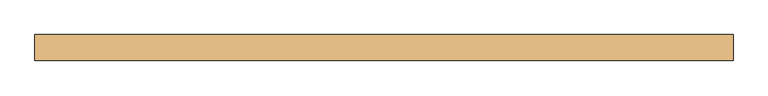
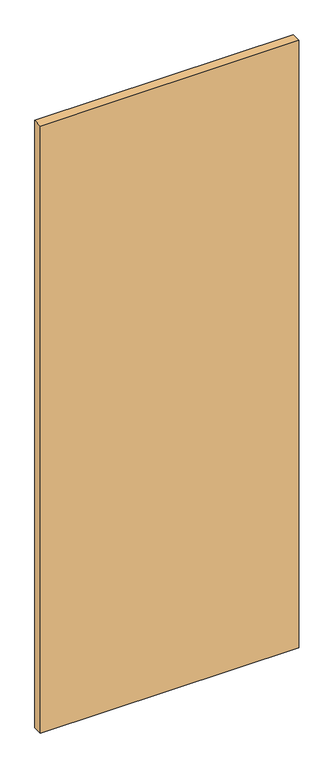
"""IFC4 building model written with IfcOpenShell, lengths in millimetres: door geometry."""

from ifc_helpers import new_model, si_unit, frame, origin, place, context, project, spatial, polyline, outline, extrude, source, transform, mapped, element, save


def door_34826f31(model_context):
    return source(origin(), model_context, "Body", "SweptSolid", [
        extrude(outline(polyline([(536.0, -20.0), (-536.0, -20.0), (-536.0, 20.0), (536.0, 20.0), (536.0, -20.0)])), frame((0.0, 0.0, 10.0), z_axis=(0.0, 0.0, 1.0), x_axis=(1.0, 0.0, 0.0)), (0.0, 0.0, 1.0), 2662.0),
    ])


if __name__ == "__main__":
    model = new_model("IFC4")
    model_context = context("Model", 3, world=origin())
    ifc_project = project(units=[si_unit("LENGTHUNIT", "METRE", prefix="MILLI")], contexts=[model_context])
    site = spatial("IfcSite", under=ifc_project)
    building = spatial("IfcBuilding", under=site)
    placement = place(None, origin())
    door_shape = door_34826f31(model_context)
    element("IfcDoor", 1, at=placement, inside=building, context=model_context, shape_type="MappedRepresentation", body=[
        mapped(door_shape, transform((0.0, 0.0, 0.0), x_axis=(1.0, 0.0, 0.0), y_axis=(0.0, 1.0, 0.0), z_axis=(0.0, 0.0, 1.0))),
    ])
    save(model, "model.ifc")
